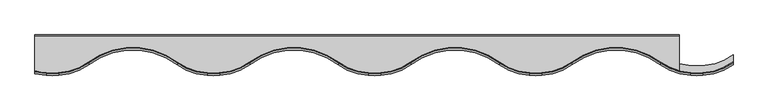
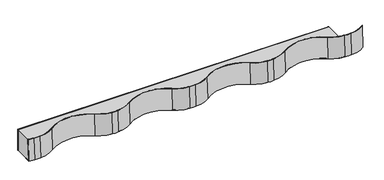
"""IFC4 building model written with IfcOpenShell, lengths in millimetres: plate geometry."""

from ifc_helpers import new_model, si_unit, point, frame, frame_2d, origin, place, context, project, spatial, polyline, circle_curve, trimmed, segment, composite_curve, outline, extrude, source, transform, mapped, element, save
from ifc_brep_helpers import plane_surface, extruded_surface, advanced_brep


def plate_3d42c95b(model_context):
    return source(origin(), model_context, "Body", "SolidModel", [
        extrude(outline(polyline([(-526.971358, -1.0), (-526.971358, 0.0), (473.0, 0.0), (473.0, -1.0), (-526.971358, -1.0)])), frame((0.0, 0.0, 1680.0), z_axis=(0.0, 0.0, 1.0), x_axis=(1.0, 0.0, 0.0)), (0.0, 0.0, 1.0), 70.0),
        extrude(outline(composite_curve([segment(trimmed(circle_curve(frame_2d((500.0, 106.6761798)), 168.25), [point((512.9231905, -61.0767744))], [point((500.0, -61.5738202))], False, "CARTESIAN"), True, "CONTINUOUS"), segment(trimmed(circle_curve(frame_2d((500.0, 106.6761798)), 168.25), [point((500.0, -61.5738202))], [point((487.0768095, -61.0767744))], False, "CARTESIAN"), True, "CONTINUOUS"), segment(trimmed(circle_curve(frame_2d((493.4528729, 21.689434)), 83.0114416), [point((487.0768095, -61.0767744))], [point((473.0, -58.7629086))], False, "CARTESIAN"), True, "CONTINUOUS"), segment(polyline([(473.0, -58.7629086), (473.0, -44.7942288)]), True, "CONTINUOUS"), segment(trimmed(circle_curve(frame_2d((493.4528729, 35.6581138)), 83.0114416), [point((473.0, -44.7942288))], [point((487.0768095, -47.1080946))], True, "CARTESIAN"), True, "CONTINUOUS"), segment(trimmed(circle_curve(frame_2d((500.0, 120.6448596)), 168.25), [point((487.0768095, -47.1080946))], [point((500.0, -47.6051404))], True, "CARTESIAN"), True, "CONTINUOUS"), segment(trimmed(circle_curve(frame_2d((500.0, 120.6448596)), 168.25), [point((500.0, -47.6051404))], [point((512.9231905, -47.1080946))], True, "CARTESIAN"), True, "CONTINUOUS"), segment(trimmed(circle_curve(frame_2d((506.4784376, 36.549756)), 83.9057258), [point((512.9231905, -47.1080946))], [point((556.4, -30.8891676))], True, "CARTESIAN"), True, "CONTINUOUS"), segment(polyline([(556.4, -30.8891676), (556.4, -44.6851884)]), True, "CONTINUOUS"), segment(trimmed(circle_curve(frame_2d((506.5471271, 21.689434)), 83.0114416), [point((556.4, -44.6851884))], [point((512.9231905, -61.0767744))], False, "CARTESIAN"), True, "CONTINUOUS")], self_intersect=False)), frame((0.0, 0.0, 1679.0), z_axis=(0.0, 0.0, 1.0), x_axis=(1.0, 0.0, 0.0)), (0.0, 0.0, 1.0), 1.0),
        extrude(outline(composite_curve([segment(trimmed(circle_curve(frame_2d((493.4528729, 21.689434)), 83.0114416), [point((473.0, -58.7629086))], [point((444.1934058, -45.1267642))], False, "CARTESIAN"), True, "CONTINUOUS"), segment(trimmed(circle_curve(frame_2d((375.0, -138.9816225)), 116.6038671), [point((444.1934058, -45.1267642))], [point((305.8065942, -45.1267642))], True, "CARTESIAN"), True, "CONTINUOUS"), segment(trimmed(circle_curve(frame_2d((256.5471271, 21.689434)), 83.0114416), [point((305.8065942, -45.1267642))], [point((262.9231905, -61.0767744))], False, "CARTESIAN"), True, "CONTINUOUS"), segment(trimmed(circle_curve(frame_2d((250.0, 106.6761798)), 168.25), [point((262.9231905, -61.0767744))], [point((237.0768095, -61.0767744))], False, "CARTESIAN"), True, "CONTINUOUS"), segment(trimmed(circle_curve(frame_2d((243.4528729, 21.689434)), 83.0114416), [point((237.0768095, -61.0767744))], [point((194.1934058, -45.1267642))], False, "CARTESIAN"), True, "CONTINUOUS"), segment(trimmed(circle_curve(frame_2d((125.0, -138.9816225)), 116.6038671), [point((194.1934058, -45.1267642))], [point((55.8065942, -45.1267642))], True, "CARTESIAN"), True, "CONTINUOUS"), segment(trimmed(circle_curve(frame_2d((6.5471271, 21.689434)), 83.0114416), [point((55.8065942, -45.1267642))], [point((12.9231905, -61.0767744))], False, "CARTESIAN"), True, "CONTINUOUS"), segment(trimmed(circle_curve(frame_2d((0.0, 106.6761798)), 168.25), [point((12.9231905, -61.0767744))], [point((-12.9231905, -61.0767744))], False, "CARTESIAN"), True, "CONTINUOUS"), segment(trimmed(circle_curve(frame_2d((-6.5471271, 21.689434)), 83.0114416), [point((-12.9231905, -61.0767744))], [point((-55.8065942, -45.1267642))], False, "CARTESIAN"), True, "CONTINUOUS"), segment(trimmed(circle_curve(frame_2d((-125.0, -138.9816225)), 116.6038671), [point((-55.8065942, -45.1267642))], [point((-194.1934058, -45.1267642))], True, "CARTESIAN"), True, "CONTINUOUS"), segment(trimmed(circle_curve(frame_2d((-243.4528729, 21.689434)), 83.0114416), [point((-194.1934058, -45.1267642))], [point((-237.0768095, -61.0767744))], False, "CARTESIAN"), True, "CONTINUOUS"), segment(trimmed(circle_curve(frame_2d((-250.0, 106.6761798)), 168.25), [point((-237.0768095, -61.0767744))], [point((-262.9231905, -61.0767744))], False, "CARTESIAN"), True, "CONTINUOUS"), segment(trimmed(circle_curve(frame_2d((-256.5471271, 21.689434)), 83.0114416), [point((-262.9231905, -61.0767744))], [point((-305.8065942, -45.1267642))], False, "CARTESIAN"), True, "CONTINUOUS"), segment(trimmed(circle_curve(frame_2d((-375.0, -138.9816225)), 116.6038671), [point((-305.8065942, -45.1267642))], [point((-444.1934058, -45.1267642))], True, "CARTESIAN"), True, "CONTINUOUS"), segment(trimmed(circle_curve(frame_2d((-493.4528729, 21.689434)), 83.0114416), [point((-444.1934058, -45.1267642))], [point((-487.0768095, -61.0767744))], False, "CARTESIAN"), True, "CONTINUOUS"), segment(trimmed(circle_curve(frame_2d((-500.0, 106.6761798)), 168.25), [point((-487.0768095, -61.0767744))], [point((-512.9231905, -61.0767744))], False, "CARTESIAN"), True, "CONTINUOUS"), segment(trimmed(circle_curve(frame_2d((-506.5471271, 21.689434)), 83.0114416), [point((-512.9231905, -61.0767744))], [point((-526.971358, -58.7701846))], False, "CARTESIAN"), True, "CONTINUOUS"), segment(polyline([(-526.971358, -58.7701846), (-526.971358, -44.8015049)]), True, "CONTINUOUS"), segment(trimmed(circle_curve(frame_2d((-506.5471271, 35.6581138)), 83.0114416), [point((-526.971358, -44.8015049))], [point((-512.9231905, -47.1080946))], True, "CARTESIAN"), True, "CONTINUOUS"), segment(trimmed(circle_curve(frame_2d((-500.0, 120.6448596)), 168.25), [point((-512.9231905, -47.1080946))], [point((-487.0768095, -47.1080946))], True, "CARTESIAN"), True, "CONTINUOUS"), segment(trimmed(circle_curve(frame_2d((-493.4528729, 35.6581138)), 83.0114416), [point((-487.0768095, -47.1080946))], [point((-444.1934058, -31.1580844))], True, "CARTESIAN"), True, "CONTINUOUS"), segment(trimmed(circle_curve(frame_2d((-375.0, -125.0129427)), 116.6038671), [point((-444.1934058, -31.1580844))], [point((-305.8065942, -31.1580844))], False, "CARTESIAN"), True, "CONTINUOUS"), segment(trimmed(circle_curve(frame_2d((-256.5471271, 35.6581138)), 83.0114416), [point((-305.8065942, -31.1580844))], [point((-262.9231905, -47.1080946))], True, "CARTESIAN"), True, "CONTINUOUS"), segment(trimmed(circle_curve(frame_2d((-250.0, 120.6448596)), 168.25), [point((-262.9231905, -47.1080946))], [point((-237.0768095, -47.1080946))], True, "CARTESIAN"), True, "CONTINUOUS"), segment(trimmed(circle_curve(frame_2d((-243.4528729, 35.6581138)), 83.0114416), [point((-237.0768095, -47.1080946))], [point((-194.1934058, -31.1580844))], True, "CARTESIAN"), True, "CONTINUOUS"), segment(trimmed(circle_curve(frame_2d((-125.0, -125.0129427)), 116.6038671), [point((-194.1934058, -31.1580844))], [point((-55.8065942, -31.1580844))], False, "CARTESIAN"), True, "CONTINUOUS"), segment(trimmed(circle_curve(frame_2d((-6.5471271, 35.6581138)), 83.0114416), [point((-55.8065942, -31.1580844))], [point((-12.9231905, -47.1080946))], True, "CARTESIAN"), True, "CONTINUOUS"), segment(trimmed(circle_curve(frame_2d((0.0, 120.6448596)), 168.25), [point((-12.9231905, -47.1080946))], [point((12.9231905, -47.1080946))], True, "CARTESIAN"), True, "CONTINUOUS"), segment(trimmed(circle_curve(frame_2d((6.5471271, 35.6581138)), 83.0114416), [point((12.9231905, -47.1080946))], [point((55.8065942, -31.1580844))], True, "CARTESIAN"), True, "CONTINUOUS"), segment(trimmed(circle_curve(frame_2d((125.0, -125.0129427)), 116.6038671), [point((55.8065942, -31.1580844))], [point((194.1934058, -31.1580844))], False, "CARTESIAN"), True, "CONTINUOUS"), segment(trimmed(circle_curve(frame_2d((243.4528729, 35.6581138)), 83.0114416), [point((194.1934058, -31.1580844))], [point((237.0768095, -47.1080946))], True, "CARTESIAN"), True, "CONTINUOUS"), segment(trimmed(circle_curve(frame_2d((250.0, 120.6448596)), 168.25), [point((237.0768095, -47.1080946))], [point((262.9231905, -47.1080946))], True, "CARTESIAN"), True, "CONTINUOUS"), segment(trimmed(circle_curve(frame_2d((256.5471271, 35.6581138)), 83.0114416), [point((262.9231905, -47.1080946))], [point((305.8065942, -31.1580844))], True, "CARTESIAN"), True, "CONTINUOUS"), segment(trimmed(circle_curve(frame_2d((375.0, -125.0129427)), 116.6038671), [point((305.8065942, -31.1580844))], [point((444.1934058, -31.1580844))], False, "CARTESIAN"), True, "CONTINUOUS"), segment(trimmed(circle_curve(frame_2d((493.4528729, 35.6581138)), 83.0114416), [point((444.1934058, -31.1580844))], [point((473.0, -44.7942288))], True, "CARTESIAN"), True, "CONTINUOUS"), segment(polyline([(473.0, -44.7942288), (473.0, -58.7629086)]), True, "CONTINUOUS")], self_intersect=False)), frame((0.0, 0.0, 1679.0), z_axis=(0.0, 0.0, 1.0), x_axis=(1.0, 0.0, 0.0)), (0.0, 0.0, 1.0), 1.0),
        advanced_brep(
        [(490.3375833, -59.4404074, 1750.0), (509.6624167, -59.4404074, 1750.0), (556.4, -43.1078474, 1750.0), (556.4, -41.8613682, 1750.0), (509.4450714, -58.4475881, 1750.0), (490.5549286, -58.4475881, 1750.0), (444.1934058, -42.302944, 1750.0), (305.8065942, -42.302944, 1750.0), (259.4450714, -58.4475881, 1750.0), (240.5549286, -58.4475881, 1750.0), (194.1934058, -42.302944, 1750.0), (55.8065942, -42.302944, 1750.0), (9.4450714, -58.4475881, 1750.0), (-9.4450714, -58.4475881, 1750.0), (-55.8065942, -42.302944, 1750.0), (-194.1934058, -42.302944, 1750.0), (-240.5549286, -58.4475881, 1750.0), (-259.4450714, -58.4475881, 1750.0), (-305.8065942, -42.302944, 1750.0), (-444.1934058, -42.302944, 1750.0), (-490.5549286, -58.4475881, 1750.0), (-509.4450714, -58.4475881, 1750.0), (-526.971358, -55.9463644, 1750.0), (-526.971358, -56.9776846, 1750.0), (-509.6624167, -59.4404074, 1750.0), (-490.3375833, -59.4404074, 1750.0), (-443.6, -43.1078474, 1750.0), (-306.4, -43.1078474, 1750.0), (-259.6624167, -59.4404074, 1750.0), (-240.3375833, -59.4404074, 1750.0), (-193.6, -43.1078474, 1750.0), (-56.4, -43.1078474, 1750.0), (-9.6624167, -59.4404074, 1750.0), (9.6624167, -59.4404074, 1750.0), (56.4, -43.1078474, 1750.0), (193.6, -43.1078474, 1750.0), (240.3375833, -59.4404074, 1750.0), (259.6624167, -59.4404074, 1750.0), (306.4, -43.1078474, 1750.0), (443.6, -43.1078474, 1750.0), (490.3375833, -62.4979074, 1679.0), (443.6, -46.1653474, 1679.0), (306.4, -46.1653474, 1679.0), (259.6624167, -62.4979074, 1679.0), (240.3375833, -62.4979074, 1679.0), (193.6, -46.1653474, 1679.0), (56.4, -46.1653474, 1679.0), (9.6624167, -62.4979074, 1679.0), (-9.6624167, -62.4979074, 1679.0), (-56.4, -46.1653474, 1679.0), (-193.6, -46.1653474, 1679.0), (-240.3375833, -62.4979074, 1679.0), (-259.6624167, -62.4979074, 1679.0), (-306.4, -46.1653474, 1679.0), (-443.6, -46.1653474, 1679.0), (-490.3375833, -62.4979074, 1679.0), (-509.6624167, -62.4979074, 1679.0), (-526.971358, -60.0351846, 1679.0), (-526.971358, -59.0038644, 1679.0), (-509.4450714, -61.5050881, 1679.0), (-490.5549286, -61.5050881, 1679.0), (-444.1934058, -45.360444, 1679.0), (-305.8065942, -45.360444, 1679.0), (-259.4450714, -61.5050881, 1679.0), (-240.5549286, -61.5050881, 1679.0), (-194.1934058, -45.360444, 1679.0), (-55.8065942, -45.360444, 1679.0), (-9.4450714, -61.5050881, 1679.0), (9.4450714, -61.5050881, 1679.0), (55.8065942, -45.360444, 1679.0), (194.1934058, -45.360444, 1679.0), (240.5549286, -61.5050881, 1679.0), (259.4450714, -61.5050881, 1679.0), (305.8065942, -45.360444, 1679.0), (444.1934058, -45.360444, 1679.0), (490.5549286, -61.5050881, 1679.0), (509.4450714, -61.5050881, 1679.0), (556.4, -44.9188682, 1679.0), (556.4, -46.1653474, 1679.0), (509.6624167, -62.4979074, 1679.0)],
        [
            (0, 1, circle_curve(frame((500.0, -13.8, 1750.0), z_axis=(0.0, 0.0, 1.0), x_axis=(0.0, -1.0, 0.0)), 46.6519998)),
            (1, 2, circle_curve(frame((506.5471271, 24.5132542, 1750.0), z_axis=(0.0, 0.0, 1.0), x_axis=(0.0, -1.0, 0.0)), 84.0114416)),
            (2, 3),
            (3, 4, circle_curve(frame((506.5471271, 24.5132542, 1750.0), z_axis=(0.0, 0.0, -1.0), x_axis=(0.0, -1.0, 0.0)), 83.0114416)),
            (4, 5, circle_curve(frame((500.0, -13.8, 1750.0), z_axis=(0.0, 0.0, -1.0), x_axis=(0.0, -1.0, 0.0)), 45.6356932)),
            (5, 6, circle_curve(frame((493.4528729, 24.5132542, 1750.0), z_axis=(0.0, 0.0, -1.0), x_axis=(0.0, -1.0, 0.0)), 83.0114416)),
            (6, 7, circle_curve(frame((375.0, -136.1578023, 1750.0), z_axis=(0.0, 0.0, 1.0), x_axis=(0.0, -1.0, 0.0)), 116.6038671)),
            (7, 8, circle_curve(frame((256.5471271, 24.5132542, 1750.0), z_axis=(0.0, 0.0, -1.0), x_axis=(0.0, -1.0, 0.0)), 83.0114416)),
            (8, 9, circle_curve(frame((250.0, -13.8, 1750.0), z_axis=(0.0, 0.0, -1.0), x_axis=(0.0, -1.0, 0.0)), 45.6356932)),
            (9, 10, circle_curve(frame((243.4528729, 24.5132542, 1750.0), z_axis=(0.0, 0.0, -1.0), x_axis=(0.0, -1.0, 0.0)), 83.0114416)),
            (10, 11, circle_curve(frame((125.0, -136.1578023, 1750.0), z_axis=(0.0, 0.0, 1.0), x_axis=(0.0, -1.0, 0.0)), 116.6038671)),
            (11, 12, circle_curve(frame((6.5471271, 24.5132542, 1750.0), z_axis=(0.0, 0.0, -1.0), x_axis=(0.0, -1.0, 0.0)), 83.0114416)),
            (12, 13, circle_curve(frame((0.0, -13.8, 1750.0), z_axis=(0.0, 0.0, -1.0), x_axis=(0.0, -1.0, 0.0)), 45.6356932)),
            (13, 14, circle_curve(frame((-6.5471271, 24.5132542, 1750.0), z_axis=(0.0, 0.0, -1.0), x_axis=(0.0, -1.0, 0.0)), 83.0114416)),
            (14, 15, circle_curve(frame((-125.0, -136.1578023, 1750.0), z_axis=(0.0, 0.0, 1.0), x_axis=(0.0, -1.0, 0.0)), 116.6038671)),
            (15, 16, circle_curve(frame((-243.4528729, 24.5132542, 1750.0), z_axis=(0.0, 0.0, -1.0), x_axis=(0.0, -1.0, 0.0)), 83.0114416)),
            (16, 17, circle_curve(frame((-250.0, -13.8, 1750.0), z_axis=(0.0, 0.0, -1.0), x_axis=(0.0, -1.0, 0.0)), 45.6356932)),
            (17, 18, circle_curve(frame((-256.5471271, 24.5132542, 1750.0), z_axis=(0.0, 0.0, -1.0), x_axis=(0.0, -1.0, 0.0)), 83.0114416)),
            (18, 19, circle_curve(frame((-375.0, -136.1578023, 1750.0), z_axis=(0.0, 0.0, 1.0), x_axis=(0.0, -1.0, 0.0)), 116.6038671)),
            (19, 20, circle_curve(frame((-493.4528729, 24.5132542, 1750.0), z_axis=(0.0, 0.0, -1.0), x_axis=(0.0, -1.0, 0.0)), 83.0114416)),
            (20, 21, circle_curve(frame((-500.0, -13.8, 1750.0), z_axis=(0.0, 0.0, -1.0), x_axis=(0.0, -1.0, 0.0)), 45.6356932)),
            (21, 22, circle_curve(frame((-506.5471271, 24.5132542, 1750.0), z_axis=(0.0, 0.0, -1.0), x_axis=(0.0, -1.0, 0.0)), 83.0114416)),
            (22, 23),
            (23, 24, circle_curve(frame((-506.5471271, 24.5132542, 1750.0), z_axis=(0.0, 0.0, 1.0), x_axis=(0.0, -1.0, 0.0)), 84.0114416)),
            (24, 25, circle_curve(frame((-500.0, -13.8, 1750.0), z_axis=(0.0, 0.0, 1.0), x_axis=(0.0, -1.0, 0.0)), 46.6519998)),
            (25, 26, circle_curve(frame((-493.4528729, 24.5132542, 1750.0), z_axis=(0.0, 0.0, 1.0), x_axis=(0.0, -1.0, 0.0)), 84.0114416)),
            (26, 27, circle_curve(frame((-375.0, -136.1578023, 1750.0), z_axis=(0.0, 0.0, -1.0), x_axis=(0.0, -1.0, 0.0)), 115.6038671)),
            (27, 28, circle_curve(frame((-256.5471271, 24.5132542, 1750.0), z_axis=(0.0, 0.0, 1.0), x_axis=(0.0, -1.0, 0.0)), 84.0114416)),
            (28, 29, circle_curve(frame((-250.0, -13.8, 1750.0), z_axis=(0.0, 0.0, 1.0), x_axis=(0.0, -1.0, 0.0)), 46.6519998)),
            (29, 30, circle_curve(frame((-243.4528729, 24.5132542, 1750.0), z_axis=(0.0, 0.0, 1.0), x_axis=(0.0, -1.0, 0.0)), 84.0114416)),
            (30, 31, circle_curve(frame((-125.0, -136.1578023, 1750.0), z_axis=(0.0, 0.0, -1.0), x_axis=(0.0, -1.0, 0.0)), 115.6038671)),
            (31, 32, circle_curve(frame((-6.5471271, 24.5132542, 1750.0), z_axis=(0.0, 0.0, 1.0), x_axis=(0.0, -1.0, 0.0)), 84.0114416)),
            (32, 33, circle_curve(frame((0.0, -13.8, 1750.0), z_axis=(0.0, 0.0, 1.0), x_axis=(0.0, -1.0, 0.0)), 46.6519998)),
            (33, 34, circle_curve(frame((6.5471271, 24.5132542, 1750.0), z_axis=(0.0, 0.0, 1.0), x_axis=(0.0, -1.0, 0.0)), 84.0114416)),
            (34, 35, circle_curve(frame((125.0, -136.1578023, 1750.0), z_axis=(0.0, 0.0, -1.0), x_axis=(0.0, -1.0, 0.0)), 115.6038671)),
            (35, 36, circle_curve(frame((243.4528729, 24.5132542, 1750.0), z_axis=(0.0, 0.0, 1.0), x_axis=(0.0, -1.0, 0.0)), 84.0114416)),
            (36, 37, circle_curve(frame((250.0, -13.8, 1750.0), z_axis=(0.0, 0.0, 1.0), x_axis=(0.0, -1.0, 0.0)), 46.6519998)),
            (37, 38, circle_curve(frame((256.5471271, 24.5132542, 1750.0), z_axis=(0.0, 0.0, 1.0), x_axis=(0.0, -1.0, 0.0)), 84.0114416)),
            (38, 39, circle_curve(frame((375.0, -136.1578023, 1750.0), z_axis=(0.0, 0.0, -1.0), x_axis=(0.0, -1.0, 0.0)), 115.6038671)),
            (39, 0, circle_curve(frame((493.4528729, 24.5132542, 1750.0), z_axis=(0.0, 0.0, 1.0), x_axis=(0.0, -1.0, 0.0)), 84.0114416)),
            (40, 41, circle_curve(frame((493.4528729, 21.4557542, 1679.0), z_axis=(0.0, 0.0, -1.0), x_axis=(0.0, -1.0, 0.0)), 84.0114416)),
            (41, 42, circle_curve(frame((375.0, -139.2153023, 1679.0), z_axis=(0.0, 0.0, 1.0), x_axis=(0.0, -1.0, 0.0)), 115.6038671)),
            (42, 43, circle_curve(frame((256.5471271, 21.4557542, 1679.0), z_axis=(0.0, 0.0, -1.0), x_axis=(0.0, -1.0, 0.0)), 84.0114416)),
            (43, 44, circle_curve(frame((250.0, -16.8575, 1679.0), z_axis=(0.0, 0.0, -1.0), x_axis=(0.0, -1.0, 0.0)), 46.6519998)),
            (44, 45, circle_curve(frame((243.4528729, 21.4557542, 1679.0), z_axis=(0.0, 0.0, -1.0), x_axis=(0.0, -1.0, 0.0)), 84.0114416)),
            (45, 46, circle_curve(frame((125.0, -139.2153023, 1679.0), z_axis=(0.0, 0.0, 1.0), x_axis=(0.0, -1.0, 0.0)), 115.6038671)),
            (46, 47, circle_curve(frame((6.5471271, 21.4557542, 1679.0), z_axis=(0.0, 0.0, -1.0), x_axis=(0.0, -1.0, 0.0)), 84.0114416)),
            (47, 48, circle_curve(frame((0.0, -16.8575, 1679.0), z_axis=(0.0, 0.0, -1.0), x_axis=(0.0, -1.0, 0.0)), 46.6519998)),
            (48, 49, circle_curve(frame((-6.5471271, 21.4557542, 1679.0), z_axis=(0.0, 0.0, -1.0), x_axis=(0.0, -1.0, 0.0)), 84.0114416)),
            (49, 50, circle_curve(frame((-125.0, -139.2153023, 1679.0), z_axis=(0.0, 0.0, 1.0), x_axis=(0.0, -1.0, 0.0)), 115.6038671)),
            (50, 51, circle_curve(frame((-243.4528729, 21.4557542, 1679.0), z_axis=(0.0, 0.0, -1.0), x_axis=(0.0, -1.0, 0.0)), 84.0114416)),
            (51, 52, circle_curve(frame((-250.0, -16.8575, 1679.0), z_axis=(0.0, 0.0, -1.0), x_axis=(0.0, -1.0, 0.0)), 46.6519998)),
            (52, 53, circle_curve(frame((-256.5471271, 21.4557542, 1679.0), z_axis=(0.0, 0.0, -1.0), x_axis=(0.0, -1.0, 0.0)), 84.0114416)),
            (53, 54, circle_curve(frame((-375.0, -139.2153023, 1679.0), z_axis=(0.0, 0.0, 1.0), x_axis=(0.0, -1.0, 0.0)), 115.6038671)),
            (54, 55, circle_curve(frame((-493.4528729, 21.4557542, 1679.0), z_axis=(0.0, 0.0, -1.0), x_axis=(0.0, -1.0, 0.0)), 84.0114416)),
            (55, 56, circle_curve(frame((-500.0, -16.8575, 1679.0), z_axis=(0.0, 0.0, -1.0), x_axis=(0.0, -1.0, 0.0)), 46.6519998)),
            (56, 57, circle_curve(frame((-506.5471271, 21.4557542, 1679.0), z_axis=(0.0, 0.0, -1.0), x_axis=(0.0, -1.0, 0.0)), 84.0114416)),
            (57, 58),
            (58, 59, circle_curve(frame((-506.5471271, 21.4557542, 1679.0), z_axis=(0.0, 0.0, 1.0), x_axis=(0.0, -1.0, 0.0)), 83.0114416)),
            (59, 60, circle_curve(frame((-500.0, -16.8575, 1679.0), z_axis=(0.0, 0.0, 1.0), x_axis=(0.0, -1.0, 0.0)), 45.6356932)),
            (60, 61, circle_curve(frame((-493.4528729, 21.4557542, 1679.0), z_axis=(0.0, 0.0, 1.0), x_axis=(0.0, -1.0, 0.0)), 83.0114416)),
            (61, 62, circle_curve(frame((-375.0, -139.2153023, 1679.0), z_axis=(0.0, 0.0, -1.0), x_axis=(0.0, -1.0, 0.0)), 116.6038671)),
            (62, 63, circle_curve(frame((-256.5471271, 21.4557542, 1679.0), z_axis=(0.0, 0.0, 1.0), x_axis=(0.0, -1.0, 0.0)), 83.0114416)),
            (63, 64, circle_curve(frame((-250.0, -16.8575, 1679.0), z_axis=(0.0, 0.0, 1.0), x_axis=(0.0, -1.0, 0.0)), 45.6356932)),
            (64, 65, circle_curve(frame((-243.4528729, 21.4557542, 1679.0), z_axis=(0.0, 0.0, 1.0), x_axis=(0.0, -1.0, 0.0)), 83.0114416)),
            (65, 66, circle_curve(frame((-125.0, -139.2153023, 1679.0), z_axis=(0.0, 0.0, -1.0), x_axis=(0.0, -1.0, 0.0)), 116.6038671)),
            (66, 67, circle_curve(frame((-6.5471271, 21.4557542, 1679.0), z_axis=(0.0, 0.0, 1.0), x_axis=(0.0, -1.0, 0.0)), 83.0114416)),
            (67, 68, circle_curve(frame((0.0, -16.8575, 1679.0), z_axis=(0.0, 0.0, 1.0), x_axis=(0.0, -1.0, 0.0)), 45.6356932)),
            (68, 69, circle_curve(frame((6.5471271, 21.4557542, 1679.0), z_axis=(0.0, 0.0, 1.0), x_axis=(0.0, -1.0, 0.0)), 83.0114416)),
            (69, 70, circle_curve(frame((125.0, -139.2153023, 1679.0), z_axis=(0.0, 0.0, -1.0), x_axis=(0.0, -1.0, 0.0)), 116.6038671)),
            (70, 71, circle_curve(frame((243.4528729, 21.4557542, 1679.0), z_axis=(0.0, 0.0, 1.0), x_axis=(0.0, -1.0, 0.0)), 83.0114416)),
            (71, 72, circle_curve(frame((250.0, -16.8575, 1679.0), z_axis=(0.0, 0.0, 1.0), x_axis=(0.0, -1.0, 0.0)), 45.6356932)),
            (72, 73, circle_curve(frame((256.5471271, 21.4557542, 1679.0), z_axis=(0.0, 0.0, 1.0), x_axis=(0.0, -1.0, 0.0)), 83.0114416)),
            (73, 74, circle_curve(frame((375.0, -139.2153023, 1679.0), z_axis=(0.0, 0.0, -1.0), x_axis=(0.0, -1.0, 0.0)), 116.6038671)),
            (74, 75, circle_curve(frame((493.4528729, 21.4557542, 1679.0), z_axis=(0.0, 0.0, 1.0), x_axis=(0.0, -1.0, 0.0)), 83.0114416)),
            (75, 76, circle_curve(frame((500.0, -16.8575, 1679.0), z_axis=(0.0, 0.0, 1.0), x_axis=(0.0, -1.0, 0.0)), 45.6356932)),
            (76, 77, circle_curve(frame((506.5471271, 21.4557542, 1679.0), z_axis=(0.0, 0.0, 1.0), x_axis=(0.0, -1.0, 0.0)), 83.0114416)),
            (77, 78),
            (78, 79, circle_curve(frame((506.5471271, 21.4557542, 1679.0), z_axis=(0.0, 0.0, -1.0), x_axis=(0.0, -1.0, 0.0)), 84.0114416)),
            (79, 40, circle_curve(frame((500.0, -16.8575, 1679.0), z_axis=(0.0, 0.0, -1.0), x_axis=(0.0, -1.0, 0.0)), 46.6519998)),
            (0, 40),
            (79, 1),
            (78, 2),
            (77, 3),
            (76, 4),
            (75, 5),
            (74, 6),
            (73, 7),
            (72, 8),
            (71, 9),
            (70, 10),
            (69, 11),
            (68, 12),
            (67, 13),
            (66, 14),
            (65, 15),
            (64, 16),
            (63, 17),
            (62, 18),
            (61, 19),
            (60, 20),
            (59, 21),
            (58, 22),
            (57, 23),
            (56, 24),
            (55, 25),
            (54, 26),
            (53, 27),
            (52, 28),
            (51, 29),
            (50, 30),
            (49, 31),
            (48, 32),
            (47, 33),
            (46, 34),
            (45, 35),
            (44, 36),
            (43, 37),
            (42, 38),
            (41, 39),
        ],
        [
            plane_surface(frame((1.4714321, -51.5014888, 1750.0), z_axis=(0.0, 0.0, 1.0), x_axis=(0.9783162053901675, -0.20711688070020648, 0.0))),
            plane_surface(frame((1.4714321, -54.5589888, 1679.0), z_axis=(0.0, 0.0, -1.0), x_axis=(0.9783162053901675, -0.20711688070020648, 0.0))),
            extruded_surface(trimmed(circle_curve(frame((500.0, -16.8575, 1679.0), z_axis=(0.0, 0.0, 1.0), x_axis=(0.0, -1.0, 0.0)), 46.6519998), [point((490.3375833, -62.4979074, 1679.0))], [point((509.6624167, -62.4979074, 1679.0))], True, "CARTESIAN"), (0.0, 3.057500000000001, 71.0), 71.06580264972739),
            extruded_surface(trimmed(circle_curve(frame((506.5471271, 21.4557542, 1679.0), z_axis=(0.0, 0.0, 1.0), x_axis=(0.0, -1.0, 0.0)), 84.0114416), [point((509.6624167, -62.4979074, 1679.0))], [point((556.4, -46.1653474, 1679.0))], True, "CARTESIAN"), (0.0, 3.0574999999999974, 71.0), 71.06580264972739),
            plane_surface(frame((556.4, -45.5421078, 1679.0), z_axis=(1.0, 0.0, 0.0), x_axis=(0.0, 1.0, 0.0))),
            extruded_surface(trimmed(circle_curve(frame((506.5471271, 21.4557542, 1679.0), z_axis=(0.0, 0.0, -1.0), x_axis=(0.0, -1.0, 0.0)), 83.0114416), [point((556.4, -44.9188682, 1679.0))], [point((509.4450714, -61.5050881, 1679.0))], True, "CARTESIAN"), (0.0, 3.0574999999999974, 71.0), 71.06580264972739),
            extruded_surface(trimmed(circle_curve(frame((500.0, -16.8575, 1679.0), z_axis=(0.0, 0.0, -1.0), x_axis=(0.0, -1.0, 0.0)), 45.6356932), [point((509.4450714, -61.5050881, 1679.0))], [point((490.5549286, -61.5050881, 1679.0))], True, "CARTESIAN"), (0.0, 3.057500000000001, 71.0), 71.06580264972739),
            extruded_surface(trimmed(circle_curve(frame((493.4528729, 21.4557542, 1679.0), z_axis=(0.0, 0.0, -1.0), x_axis=(0.0, -1.0, 0.0)), 83.0114416), [point((490.5549286, -61.5050881, 1679.0))], [point((444.1934058, -45.360444, 1679.0))], True, "CARTESIAN"), (0.0, 3.0574999999999974, 71.0), 71.06580264972739),
            extruded_surface(trimmed(circle_curve(frame((375.0, -139.2153023, 1679.0), z_axis=(0.0, 0.0, 1.0), x_axis=(0.0, -1.0, 0.0)), 116.6038671), [point((444.1934058, -45.360444, 1679.0))], [point((305.8065942, -45.360444, 1679.0))], True, "CARTESIAN"), (0.0, 3.0575000000000045, 71.0), 71.06580264972739),
            extruded_surface(trimmed(circle_curve(frame((256.5471271, 21.4557542, 1679.0), z_axis=(0.0, 0.0, -1.0), x_axis=(0.0, -1.0, 0.0)), 83.0114416), [point((305.8065942, -45.360444, 1679.0))], [point((259.4450714, -61.5050881, 1679.0))], True, "CARTESIAN"), (0.0, 3.0574999999999974, 71.0), 71.06580264972739),
            extruded_surface(trimmed(circle_curve(frame((250.0, -16.8575, 1679.0), z_axis=(0.0, 0.0, -1.0), x_axis=(0.0, -1.0, 0.0)), 45.6356932), [point((259.4450714, -61.5050881, 1679.0))], [point((240.5549286, -61.5050881, 1679.0))], True, "CARTESIAN"), (0.0, 3.057500000000001, 71.0), 71.06580264972739),
            extruded_surface(trimmed(circle_curve(frame((243.4528729, 21.4557542, 1679.0), z_axis=(0.0, 0.0, -1.0), x_axis=(0.0, -1.0, 0.0)), 83.0114416), [point((240.5549286, -61.5050881, 1679.0))], [point((194.1934058, -45.360444, 1679.0))], True, "CARTESIAN"), (0.0, 3.0574999999999974, 71.0), 71.06580264972739),
            extruded_surface(trimmed(circle_curve(frame((125.0, -139.2153023, 1679.0), z_axis=(0.0, 0.0, 1.0), x_axis=(0.0, -1.0, 0.0)), 116.6038671), [point((194.1934058, -45.360444, 1679.0))], [point((55.8065942, -45.360444, 1679.0))], True, "CARTESIAN"), (0.0, 3.0575000000000045, 71.0), 71.06580264972739),
            extruded_surface(trimmed(circle_curve(frame((6.5471271, 21.4557542, 1679.0), z_axis=(0.0, 0.0, -1.0), x_axis=(0.0, -1.0, 0.0)), 83.0114416), [point((55.8065942, -45.360444, 1679.0))], [point((9.4450714, -61.5050881, 1679.0))], True, "CARTESIAN"), (0.0, 3.0574999999999974, 71.0), 71.06580264972739),
            extruded_surface(trimmed(circle_curve(frame((0.0, -16.8575, 1679.0), z_axis=(0.0, 0.0, -1.0), x_axis=(0.0, -1.0, 0.0)), 45.6356932), [point((9.4450714, -61.5050881, 1679.0))], [point((-9.4450714, -61.5050881, 1679.0))], True, "CARTESIAN"), (0.0, 3.057500000000001, 71.0), 71.06580264972739),
            extruded_surface(trimmed(circle_curve(frame((-6.5471271, 21.4557542, 1679.0), z_axis=(0.0, 0.0, -1.0), x_axis=(0.0, -1.0, 0.0)), 83.0114416), [point((-9.4450714, -61.5050881, 1679.0))], [point((-55.8065942, -45.360444, 1679.0))], True, "CARTESIAN"), (0.0, 3.0574999999999974, 71.0), 71.06580264972739),
            extruded_surface(trimmed(circle_curve(frame((-125.0, -139.2153023, 1679.0), z_axis=(0.0, 0.0, 1.0), x_axis=(0.0, -1.0, 0.0)), 116.6038671), [point((-55.8065942, -45.360444, 1679.0))], [point((-194.1934058, -45.360444, 1679.0))], True, "CARTESIAN"), (0.0, 3.0575000000000045, 71.0), 71.06580264972739),
            extruded_surface(trimmed(circle_curve(frame((-243.4528729, 21.4557542, 1679.0), z_axis=(0.0, 0.0, -1.0), x_axis=(0.0, -1.0, 0.0)), 83.0114416), [point((-194.1934058, -45.360444, 1679.0))], [point((-240.5549286, -61.5050881, 1679.0))], True, "CARTESIAN"), (0.0, 3.0574999999999974, 71.0), 71.06580264972739),
            extruded_surface(trimmed(circle_curve(frame((-250.0, -16.8575, 1679.0), z_axis=(0.0, 0.0, -1.0), x_axis=(0.0, -1.0, 0.0)), 45.6356932), [point((-240.5549286, -61.5050881, 1679.0))], [point((-259.4450714, -61.5050881, 1679.0))], True, "CARTESIAN"), (0.0, 3.057500000000001, 71.0), 71.06580264972739),
            extruded_surface(trimmed(circle_curve(frame((-256.5471271, 21.4557542, 1679.0), z_axis=(0.0, 0.0, -1.0), x_axis=(0.0, -1.0, 0.0)), 83.0114416), [point((-259.4450714, -61.5050881, 1679.0))], [point((-305.8065942, -45.360444, 1679.0))], True, "CARTESIAN"), (0.0, 3.0574999999999974, 71.0), 71.06580264972739),
            extruded_surface(trimmed(circle_curve(frame((-375.0, -139.2153023, 1679.0), z_axis=(0.0, 0.0, 1.0), x_axis=(0.0, -1.0, 0.0)), 116.6038671), [point((-305.8065942, -45.360444, 1679.0))], [point((-444.1934058, -45.360444, 1679.0))], True, "CARTESIAN"), (0.0, 3.0575000000000045, 71.0), 71.06580264972739),
            extruded_surface(trimmed(circle_curve(frame((-493.4528729, 21.4557542, 1679.0), z_axis=(0.0, 0.0, -1.0), x_axis=(0.0, -1.0, 0.0)), 83.0114416), [point((-444.1934058, -45.360444, 1679.0))], [point((-490.5549286, -61.5050881, 1679.0))], True, "CARTESIAN"), (0.0, 3.0574999999999974, 71.0), 71.06580264972739),
            extruded_surface(trimmed(circle_curve(frame((-500.0, -16.8575, 1679.0), z_axis=(0.0, 0.0, -1.0), x_axis=(0.0, -1.0, 0.0)), 45.6356932), [point((-490.5549286, -61.5050881, 1679.0))], [point((-509.4450714, -61.5050881, 1679.0))], True, "CARTESIAN"), (0.0, 3.057500000000001, 71.0), 71.06580264972739),
            extruded_surface(trimmed(circle_curve(frame((-506.5471271, 21.4557542, 1679.0), z_axis=(0.0, 0.0, -1.0), x_axis=(0.0, -1.0, 0.0)), 83.0114416), [point((-509.4450714, -61.5050881, 1679.0))], [point((-526.971358, -59.0038644, 1679.0))], True, "CARTESIAN"), (0.0, 3.0574999999999974, 71.0), 71.06580264972739),
            plane_surface(frame((-526.971358, -59.5195245, 1679.0), z_axis=(-1.0, 0.0, 0.0), x_axis=(0.0, -1.0, 0.0))),
            extruded_surface(trimmed(circle_curve(frame((-506.5471271, 21.4557542, 1679.0), z_axis=(0.0, 0.0, 1.0), x_axis=(0.0, -1.0, 0.0)), 84.0114416), [point((-526.971358, -60.0351846, 1679.0))], [point((-509.6624167, -62.4979074, 1679.0))], True, "CARTESIAN"), (0.0, 3.0574999999999974, 71.0), 71.06580264972739),
            extruded_surface(trimmed(circle_curve(frame((-500.0, -16.8575, 1679.0), z_axis=(0.0, 0.0, 1.0), x_axis=(0.0, -1.0, 0.0)), 46.6519998), [point((-509.6624167, -62.4979074, 1679.0))], [point((-490.3375833, -62.4979074, 1679.0))], True, "CARTESIAN"), (0.0, 3.057500000000001, 71.0), 71.06580264972739),
            extruded_surface(trimmed(circle_curve(frame((-493.4528729, 21.4557542, 1679.0), z_axis=(0.0, 0.0, 1.0), x_axis=(0.0, -1.0, 0.0)), 84.0114416), [point((-490.3375833, -62.4979074, 1679.0))], [point((-443.6, -46.1653474, 1679.0))], True, "CARTESIAN"), (0.0, 3.0574999999999974, 71.0), 71.06580264972739),
            extruded_surface(trimmed(circle_curve(frame((-375.0, -139.2153023, 1679.0), z_axis=(0.0, 0.0, -1.0), x_axis=(0.0, -1.0, 0.0)), 115.6038671), [point((-443.6, -46.1653474, 1679.0))], [point((-306.4, -46.1653474, 1679.0))], True, "CARTESIAN"), (0.0, 3.0575000000000045, 71.0), 71.06580264972739),
            extruded_surface(trimmed(circle_curve(frame((-256.5471271, 21.4557542, 1679.0), z_axis=(0.0, 0.0, 1.0), x_axis=(0.0, -1.0, 0.0)), 84.0114416), [point((-306.4, -46.1653474, 1679.0))], [point((-259.6624167, -62.4979074, 1679.0))], True, "CARTESIAN"), (0.0, 3.0574999999999974, 71.0), 71.06580264972739),
            extruded_surface(trimmed(circle_curve(frame((-250.0, -16.8575, 1679.0), z_axis=(0.0, 0.0, 1.0), x_axis=(0.0, -1.0, 0.0)), 46.6519998), [point((-259.6624167, -62.4979074, 1679.0))], [point((-240.3375833, -62.4979074, 1679.0))], True, "CARTESIAN"), (0.0, 3.057500000000001, 71.0), 71.06580264972739),
            extruded_surface(trimmed(circle_curve(frame((-243.4528729, 21.4557542, 1679.0), z_axis=(0.0, 0.0, 1.0), x_axis=(0.0, -1.0, 0.0)), 84.0114416), [point((-240.3375833, -62.4979074, 1679.0))], [point((-193.6, -46.1653474, 1679.0))], True, "CARTESIAN"), (0.0, 3.0574999999999974, 71.0), 71.06580264972739),
            extruded_surface(trimmed(circle_curve(frame((-125.0, -139.2153023, 1679.0), z_axis=(0.0, 0.0, -1.0), x_axis=(0.0, -1.0, 0.0)), 115.6038671), [point((-193.6, -46.1653474, 1679.0))], [point((-56.4, -46.1653474, 1679.0))], True, "CARTESIAN"), (0.0, 3.0575000000000045, 71.0), 71.06580264972739),
            extruded_surface(trimmed(circle_curve(frame((-6.5471271, 21.4557542, 1679.0), z_axis=(0.0, 0.0, 1.0), x_axis=(0.0, -1.0, 0.0)), 84.0114416), [point((-56.4, -46.1653474, 1679.0))], [point((-9.6624167, -62.4979074, 1679.0))], True, "CARTESIAN"), (0.0, 3.0574999999999974, 71.0), 71.06580264972739),
            extruded_surface(trimmed(circle_curve(frame((0.0, -16.8575, 1679.0), z_axis=(0.0, 0.0, 1.0), x_axis=(0.0, -1.0, 0.0)), 46.6519998), [point((-9.6624167, -62.4979074, 1679.0))], [point((9.6624167, -62.4979074, 1679.0))], True, "CARTESIAN"), (0.0, 3.057500000000001, 71.0), 71.06580264972739),
            extruded_surface(trimmed(circle_curve(frame((6.5471271, 21.4557542, 1679.0), z_axis=(0.0, 0.0, 1.0), x_axis=(0.0, -1.0, 0.0)), 84.0114416), [point((9.6624167, -62.4979074, 1679.0))], [point((56.4, -46.1653474, 1679.0))], True, "CARTESIAN"), (0.0, 3.0574999999999974, 71.0), 71.06580264972739),
            extruded_surface(trimmed(circle_curve(frame((125.0, -139.2153023, 1679.0), z_axis=(0.0, 0.0, -1.0), x_axis=(0.0, -1.0, 0.0)), 115.6038671), [point((56.4, -46.1653474, 1679.0))], [point((193.6, -46.1653474, 1679.0))], True, "CARTESIAN"), (0.0, 3.0575000000000045, 71.0), 71.06580264972739),
            extruded_surface(trimmed(circle_curve(frame((243.4528729, 21.4557542, 1679.0), z_axis=(0.0, 0.0, 1.0), x_axis=(0.0, -1.0, 0.0)), 84.0114416), [point((193.6, -46.1653474, 1679.0))], [point((240.3375833, -62.4979074, 1679.0))], True, "CARTESIAN"), (0.0, 3.0574999999999974, 71.0), 71.06580264972739),
            extruded_surface(trimmed(circle_curve(frame((250.0, -16.8575, 1679.0), z_axis=(0.0, 0.0, 1.0), x_axis=(0.0, -1.0, 0.0)), 46.6519998), [point((240.3375833, -62.4979074, 1679.0))], [point((259.6624167, -62.4979074, 1679.0))], True, "CARTESIAN"), (0.0, 3.057500000000001, 71.0), 71.06580264972739),
            extruded_surface(trimmed(circle_curve(frame((256.5471271, 21.4557542, 1679.0), z_axis=(0.0, 0.0, 1.0), x_axis=(0.0, -1.0, 0.0)), 84.0114416), [point((259.6624167, -62.4979074, 1679.0))], [point((306.4, -46.1653474, 1679.0))], True, "CARTESIAN"), (0.0, 3.0574999999999974, 71.0), 71.06580264972739),
            extruded_surface(trimmed(circle_curve(frame((375.0, -139.2153023, 1679.0), z_axis=(0.0, 0.0, -1.0), x_axis=(0.0, -1.0, 0.0)), 115.6038671), [point((306.4, -46.1653474, 1679.0))], [point((443.6, -46.1653474, 1679.0))], True, "CARTESIAN"), (0.0, 3.0575000000000045, 71.0), 71.06580264972739),
            extruded_surface(trimmed(circle_curve(frame((493.4528729, 21.4557542, 1679.0), z_axis=(0.0, 0.0, 1.0), x_axis=(0.0, -1.0, 0.0)), 84.0114416), [point((443.6, -46.1653474, 1679.0))], [point((490.3375833, -62.4979074, 1679.0))], True, "CARTESIAN"), (0.0, 3.0574999999999974, 71.0), 71.06580264972739),
        ],
        [
            (0, [[1, 2, 3, 4, 5, 6, 7, 8, 9, 10, 11, 12, 13, 14, 15, 16, 17, 18, 19, 20, 21, 22, 23, 24, 25, 26, 27, 28, 29, 30, 31, 32, 33, 34, 35, 36, 37, 38, 39, 40]]),
            (1, [[41, 42, 43, 44, 45, 46, 47, 48, 49, 50, 51, 52, 53, 54, 55, 56, 57, 58, 59, 60, 61, 62, 63, 64, 65, 66, 67, 68, 69, 70, 71, 72, 73, 74, 75, 76, 77, 78, 79, 80]]),
            (2, [[-1, 81, -80, 82]]),
            (3, [[-2, -82, -79, 83]]),
            (4, [[-3, -83, -78, 84]]),
            (5, [[-4, -84, -77, 85]]),
            (6, [[-5, -85, -76, 86]]),
            (7, [[-6, -86, -75, 87]]),
            (8, [[-7, -87, -74, 88]]),
            (9, [[-8, -88, -73, 89]]),
            (10, [[-9, -89, -72, 90]]),
            (11, [[-10, -90, -71, 91]]),
            (12, [[-11, -91, -70, 92]]),
            (13, [[-12, -92, -69, 93]]),
            (14, [[-13, -93, -68, 94]]),
            (15, [[-14, -94, -67, 95]]),
            (16, [[-15, -95, -66, 96]]),
            (17, [[-16, -96, -65, 97]]),
            (18, [[-17, -97, -64, 98]]),
            (19, [[-18, -98, -63, 99]]),
            (20, [[-19, -99, -62, 100]]),
            (21, [[-20, -100, -61, 101]]),
            (22, [[-21, -101, -60, 102]]),
            (23, [[-22, -102, -59, 103]]),
            (24, [[-23, -103, -58, 104]]),
            (25, [[-24, -104, -57, 105]]),
            (26, [[-25, -105, -56, 106]]),
            (27, [[-26, -106, -55, 107]]),
            (28, [[-27, -107, -54, 108]]),
            (29, [[-28, -108, -53, 109]]),
            (30, [[-29, -109, -52, 110]]),
            (31, [[-30, -110, -51, 111]]),
            (32, [[-31, -111, -50, 112]]),
            (33, [[-32, -112, -49, 113]]),
            (34, [[-33, -113, -48, 114]]),
            (35, [[-34, -114, -47, 115]]),
            (36, [[-35, -115, -46, 116]]),
            (37, [[-36, -116, -45, 117]]),
            (38, [[-37, -117, -44, 118]]),
            (39, [[-38, -118, -43, 119]]),
            (40, [[-39, -119, -42, 120]]),
            (41, [[-40, -120, -41, -81]]),
        ],
    ),
        advanced_brep(
        [(-526.971358, -1.0, 1750.0), (-526.971358, -55.9463644, 1750.0), (-509.4450714, -58.4475881, 1750.0), (-490.5549286, -58.4475881, 1750.0), (-444.1934058, -42.302944, 1750.0), (-305.8065942, -42.302944, 1750.0), (-259.4450714, -58.4475881, 1750.0), (-240.5549286, -58.4475881, 1750.0), (-194.1934058, -42.302944, 1750.0), (-55.8065942, -42.302944, 1750.0), (-9.4450714, -58.4475881, 1750.0), (9.4450714, -58.4475881, 1750.0), (55.8065942, -42.302944, 1750.0), (194.1934058, -42.302944, 1750.0), (240.5549286, -58.4475881, 1750.0), (259.4450714, -58.4475881, 1750.0), (305.8065942, -42.302944, 1750.0), (444.1934058, -42.302944, 1750.0), (473.0, -55.9390884, 1750.0), (473.0, -1.0, 1750.0), (-526.971358, -1.0, 1680.0), (473.0, -1.0, 1680.0), (473.0, -58.9965884, 1680.0), (444.1934058, -45.360444, 1680.0), (305.8065942, -45.360444, 1680.0), (259.4450714, -61.5050881, 1680.0), (240.5549286, -61.5050881, 1680.0), (194.1934058, -45.360444, 1680.0), (55.8065942, -45.360444, 1680.0), (9.4450714, -61.5050881, 1680.0), (-9.4450714, -61.5050881, 1680.0), (-55.8065942, -45.360444, 1680.0), (-194.1934058, -45.360444, 1680.0), (-240.5549286, -61.5050881, 1680.0), (-259.4450714, -61.5050881, 1680.0), (-305.8065942, -45.360444, 1680.0), (-444.1934058, -45.360444, 1680.0), (-490.5549286, -61.5050881, 1680.0), (-509.4450714, -61.5050881, 1680.0), (-526.971358, -59.0038644, 1680.0)],
        [
            (0, 1),
            (1, 2, circle_curve(frame((-506.5471271, 24.5132542, 1750.0), z_axis=(0.0, 0.0, 1.0), x_axis=(0.0, -1.0, 0.0)), 83.0114416)),
            (2, 3, circle_curve(frame((-500.0, -13.8, 1750.0), z_axis=(0.0, 0.0, 1.0), x_axis=(0.0, -1.0, 0.0)), 45.6356932)),
            (3, 4, circle_curve(frame((-493.4528729, 24.5132542, 1750.0), z_axis=(0.0, 0.0, 1.0), x_axis=(0.0, -1.0, 0.0)), 83.0114416)),
            (4, 5, circle_curve(frame((-375.0, -136.1578023, 1750.0), z_axis=(0.0, 0.0, -1.0), x_axis=(0.0, -1.0, 0.0)), 116.6038671)),
            (5, 6, circle_curve(frame((-256.5471271, 24.5132542, 1750.0), z_axis=(0.0, 0.0, 1.0), x_axis=(0.0, -1.0, 0.0)), 83.0114416)),
            (6, 7, circle_curve(frame((-250.0, -13.8, 1750.0), z_axis=(0.0, 0.0, 1.0), x_axis=(0.0, -1.0, 0.0)), 45.6356932)),
            (7, 8, circle_curve(frame((-243.4528729, 24.5132542, 1750.0), z_axis=(0.0, 0.0, 1.0), x_axis=(0.0, -1.0, 0.0)), 83.0114416)),
            (8, 9, circle_curve(frame((-125.0, -136.1578023, 1750.0), z_axis=(0.0, 0.0, -1.0), x_axis=(0.0, -1.0, 0.0)), 116.6038671)),
            (9, 10, circle_curve(frame((-6.5471271, 24.5132542, 1750.0), z_axis=(0.0, 0.0, 1.0), x_axis=(0.0, -1.0, 0.0)), 83.0114416)),
            (10, 11, circle_curve(frame((0.0, -13.8, 1750.0), z_axis=(0.0, 0.0, 1.0), x_axis=(0.0, -1.0, 0.0)), 45.6356932)),
            (11, 12, circle_curve(frame((6.5471271, 24.5132542, 1750.0), z_axis=(0.0, 0.0, 1.0), x_axis=(0.0, -1.0, 0.0)), 83.0114416)),
            (12, 13, circle_curve(frame((125.0, -136.1578023, 1750.0), z_axis=(0.0, 0.0, -1.0), x_axis=(0.0, -1.0, 0.0)), 116.6038671)),
            (13, 14, circle_curve(frame((243.4528729, 24.5132542, 1750.0), z_axis=(0.0, 0.0, 1.0), x_axis=(0.0, -1.0, 0.0)), 83.0114416)),
            (14, 15, circle_curve(frame((250.0, -13.8, 1750.0), z_axis=(0.0, 0.0, 1.0), x_axis=(0.0, -1.0, 0.0)), 45.6356932)),
            (15, 16, circle_curve(frame((256.5471271, 24.5132542, 1750.0), z_axis=(0.0, 0.0, 1.0), x_axis=(0.0, -1.0, 0.0)), 83.0114416)),
            (16, 17, circle_curve(frame((375.0, -136.1578023, 1750.0), z_axis=(0.0, 0.0, -1.0), x_axis=(0.0, -1.0, 0.0)), 116.6038671)),
            (17, 18, circle_curve(frame((493.4528729, 24.5132542, 1750.0), z_axis=(0.0, 0.0, 1.0), x_axis=(0.0, -1.0, 0.0)), 83.0114416)),
            (18, 19),
            (19, 0),
            (20, 21),
            (21, 22),
            (22, 23, circle_curve(frame((493.4528729, 21.4557542, 1680.0), z_axis=(0.0, 0.0, -1.0), x_axis=(0.0, -1.0, 0.0)), 83.0114416)),
            (23, 24, circle_curve(frame((375.0, -139.2153023, 1680.0), z_axis=(0.0, 0.0, 1.0), x_axis=(0.0, -1.0, 0.0)), 116.6038671)),
            (24, 25, circle_curve(frame((256.5471271, 21.4557542, 1680.0), z_axis=(0.0, 0.0, -1.0), x_axis=(0.0, -1.0, 0.0)), 83.0114416)),
            (25, 26, circle_curve(frame((250.0, -16.8575, 1680.0), z_axis=(0.0, 0.0, -1.0), x_axis=(0.0, -1.0, 0.0)), 45.6356932)),
            (26, 27, circle_curve(frame((243.4528729, 21.4557542, 1680.0), z_axis=(0.0, 0.0, -1.0), x_axis=(0.0, -1.0, 0.0)), 83.0114416)),
            (27, 28, circle_curve(frame((125.0, -139.2153023, 1680.0), z_axis=(0.0, 0.0, 1.0), x_axis=(0.0, -1.0, 0.0)), 116.6038671)),
            (28, 29, circle_curve(frame((6.5471271, 21.4557542, 1680.0), z_axis=(0.0, 0.0, -1.0), x_axis=(0.0, -1.0, 0.0)), 83.0114416)),
            (29, 30, circle_curve(frame((0.0, -16.8575, 1680.0), z_axis=(0.0, 0.0, -1.0), x_axis=(0.0, -1.0, 0.0)), 45.6356932)),
            (30, 31, circle_curve(frame((-6.5471271, 21.4557542, 1680.0), z_axis=(0.0, 0.0, -1.0), x_axis=(0.0, -1.0, 0.0)), 83.0114416)),
            (31, 32, circle_curve(frame((-125.0, -139.2153023, 1680.0), z_axis=(0.0, 0.0, 1.0), x_axis=(0.0, -1.0, 0.0)), 116.6038671)),
            (32, 33, circle_curve(frame((-243.4528729, 21.4557542, 1680.0), z_axis=(0.0, 0.0, -1.0), x_axis=(0.0, -1.0, 0.0)), 83.0114416)),
            (33, 34, circle_curve(frame((-250.0, -16.8575, 1680.0), z_axis=(0.0, 0.0, -1.0), x_axis=(0.0, -1.0, 0.0)), 45.6356932)),
            (34, 35, circle_curve(frame((-256.5471271, 21.4557542, 1680.0), z_axis=(0.0, 0.0, -1.0), x_axis=(0.0, -1.0, 0.0)), 83.0114416)),
            (35, 36, circle_curve(frame((-375.0, -139.2153023, 1680.0), z_axis=(0.0, 0.0, 1.0), x_axis=(0.0, -1.0, 0.0)), 116.6038671)),
            (36, 37, circle_curve(frame((-493.4528729, 21.4557542, 1680.0), z_axis=(0.0, 0.0, -1.0), x_axis=(0.0, -1.0, 0.0)), 83.0114416)),
            (37, 38, circle_curve(frame((-500.0, -16.8575, 1680.0), z_axis=(0.0, 0.0, -1.0), x_axis=(0.0, -1.0, 0.0)), 45.6356932)),
            (38, 39, circle_curve(frame((-506.5471271, 21.4557542, 1680.0), z_axis=(0.0, 0.0, -1.0), x_axis=(0.0, -1.0, 0.0)), 83.0114416)),
            (39, 20),
            (39, 1),
            (0, 20),
            (19, 21),
            (38, 2),
            (37, 3),
            (36, 4),
            (35, 5),
            (34, 6),
            (33, 7),
            (32, 8),
            (31, 9),
            (30, 10),
            (29, 11),
            (28, 12),
            (27, 13),
            (26, 14),
            (25, 15),
            (24, 16),
            (23, 17),
            (22, 18),
        ],
        [
            plane_surface(frame((-55.3971358, -45.9944855, 1750.0), z_axis=(0.0, 0.0, 1.0), x_axis=(0.0, -1.0, 0.0))),
            plane_surface(frame((-55.3971358, -48.7462355, 1680.0), z_axis=(0.0, 0.0, -1.0), x_axis=(0.0, -1.0, 0.0))),
            plane_surface(frame((-526.971358, -30.0019322, 1680.0), z_axis=(-1.0, 0.0, 0.0), x_axis=(0.0, -1.0, 0.0))),
            plane_surface(frame((-26.985679, -1.0, 1680.0), z_axis=(0.0, 1.0, 0.0), x_axis=(-1.0, 0.0, 0.0))),
            extruded_surface(trimmed(circle_curve(frame((-506.5471271, 21.4557542, 1680.0), z_axis=(0.0, 0.0, 1.0), x_axis=(0.0, -1.0, 0.0)), 83.0114416), [point((-526.971358, -59.0038644, 1680.0))], [point((-509.4450714, -61.5050881, 1680.0))], True, "CARTESIAN"), (0.0, 3.0574999999999974, 70.0), 70.06674179844529),
            extruded_surface(trimmed(circle_curve(frame((-500.0, -16.8575, 1680.0), z_axis=(0.0, 0.0, 1.0), x_axis=(0.0, -1.0, 0.0)), 45.6356932), [point((-509.4450714, -61.5050881, 1680.0))], [point((-490.5549286, -61.5050881, 1680.0))], True, "CARTESIAN"), (0.0, 3.057500000000001, 70.0), 70.06674179844529),
            extruded_surface(trimmed(circle_curve(frame((-493.4528729, 21.4557542, 1680.0), z_axis=(0.0, 0.0, 1.0), x_axis=(0.0, -1.0, 0.0)), 83.0114416), [point((-490.5549286, -61.5050881, 1680.0))], [point((-444.1934058, -45.360444, 1680.0))], True, "CARTESIAN"), (0.0, 3.0574999999999974, 70.0), 70.06674179844529),
            extruded_surface(trimmed(circle_curve(frame((-375.0, -139.2153023, 1680.0), z_axis=(0.0, 0.0, -1.0), x_axis=(0.0, -1.0, 0.0)), 116.6038671), [point((-444.1934058, -45.360444, 1680.0))], [point((-305.8065942, -45.360444, 1680.0))], True, "CARTESIAN"), (0.0, 3.0575000000000045, 70.0), 70.06674179844529),
            extruded_surface(trimmed(circle_curve(frame((-256.5471271, 21.4557542, 1680.0), z_axis=(0.0, 0.0, 1.0), x_axis=(0.0, -1.0, 0.0)), 83.0114416), [point((-305.8065942, -45.360444, 1680.0))], [point((-259.4450714, -61.5050881, 1680.0))], True, "CARTESIAN"), (0.0, 3.0574999999999974, 70.0), 70.06674179844529),
            extruded_surface(trimmed(circle_curve(frame((-250.0, -16.8575, 1680.0), z_axis=(0.0, 0.0, 1.0), x_axis=(0.0, -1.0, 0.0)), 45.6356932), [point((-259.4450714, -61.5050881, 1680.0))], [point((-240.5549286, -61.5050881, 1680.0))], True, "CARTESIAN"), (0.0, 3.057500000000001, 70.0), 70.06674179844529),
            extruded_surface(trimmed(circle_curve(frame((-243.4528729, 21.4557542, 1680.0), z_axis=(0.0, 0.0, 1.0), x_axis=(0.0, -1.0, 0.0)), 83.0114416), [point((-240.5549286, -61.5050881, 1680.0))], [point((-194.1934058, -45.360444, 1680.0))], True, "CARTESIAN"), (0.0, 3.0574999999999974, 70.0), 70.06674179844529),
            extruded_surface(trimmed(circle_curve(frame((-125.0, -139.2153023, 1680.0), z_axis=(0.0, 0.0, -1.0), x_axis=(0.0, -1.0, 0.0)), 116.6038671), [point((-194.1934058, -45.360444, 1680.0))], [point((-55.8065942, -45.360444, 1680.0))], True, "CARTESIAN"), (0.0, 3.0575000000000045, 70.0), 70.06674179844529),
            extruded_surface(trimmed(circle_curve(frame((-6.5471271, 21.4557542, 1680.0), z_axis=(0.0, 0.0, 1.0), x_axis=(0.0, -1.0, 0.0)), 83.0114416), [point((-55.8065942, -45.360444, 1680.0))], [point((-9.4450714, -61.5050881, 1680.0))], True, "CARTESIAN"), (0.0, 3.0574999999999974, 70.0), 70.06674179844529),
            extruded_surface(trimmed(circle_curve(frame((0.0, -16.8575, 1680.0), z_axis=(0.0, 0.0, 1.0), x_axis=(0.0, -1.0, 0.0)), 45.6356932), [point((-9.4450714, -61.5050881, 1680.0))], [point((9.4450714, -61.5050881, 1680.0))], True, "CARTESIAN"), (0.0, 3.057500000000001, 70.0), 70.06674179844529),
            extruded_surface(trimmed(circle_curve(frame((6.5471271, 21.4557542, 1680.0), z_axis=(0.0, 0.0, 1.0), x_axis=(0.0, -1.0, 0.0)), 83.0114416), [point((9.4450714, -61.5050881, 1680.0))], [point((55.8065942, -45.360444, 1680.0))], True, "CARTESIAN"), (0.0, 3.0574999999999974, 70.0), 70.06674179844529),
            extruded_surface(trimmed(circle_curve(frame((125.0, -139.2153023, 1680.0), z_axis=(0.0, 0.0, -1.0), x_axis=(0.0, -1.0, 0.0)), 116.6038671), [point((55.8065942, -45.360444, 1680.0))], [point((194.1934058, -45.360444, 1680.0))], True, "CARTESIAN"), (0.0, 3.0575000000000045, 70.0), 70.06674179844529),
            extruded_surface(trimmed(circle_curve(frame((243.4528729, 21.4557542, 1680.0), z_axis=(0.0, 0.0, 1.0), x_axis=(0.0, -1.0, 0.0)), 83.0114416), [point((194.1934058, -45.360444, 1680.0))], [point((240.5549286, -61.5050881, 1680.0))], True, "CARTESIAN"), (0.0, 3.0574999999999974, 70.0), 70.06674179844529),
            extruded_surface(trimmed(circle_curve(frame((250.0, -16.8575, 1680.0), z_axis=(0.0, 0.0, 1.0), x_axis=(0.0, -1.0, 0.0)), 45.6356932), [point((240.5549286, -61.5050881, 1680.0))], [point((259.4450714, -61.5050881, 1680.0))], True, "CARTESIAN"), (0.0, 3.057500000000001, 70.0), 70.06674179844529),
            extruded_surface(trimmed(circle_curve(frame((256.5471271, 21.4557542, 1680.0), z_axis=(0.0, 0.0, 1.0), x_axis=(0.0, -1.0, 0.0)), 83.0114416), [point((259.4450714, -61.5050881, 1680.0))], [point((305.8065942, -45.360444, 1680.0))], True, "CARTESIAN"), (0.0, 3.0574999999999974, 70.0), 70.06674179844529),
            extruded_surface(trimmed(circle_curve(frame((375.0, -139.2153023, 1680.0), z_axis=(0.0, 0.0, -1.0), x_axis=(0.0, -1.0, 0.0)), 116.6038671), [point((305.8065942, -45.360444, 1680.0))], [point((444.1934058, -45.360444, 1680.0))], True, "CARTESIAN"), (0.0, 3.0575000000000045, 70.0), 70.06674179844529),
            extruded_surface(trimmed(circle_curve(frame((493.4528729, 21.4557542, 1680.0), z_axis=(0.0, 0.0, 1.0), x_axis=(0.0, -1.0, 0.0)), 83.0114416), [point((444.1934058, -45.360444, 1680.0))], [point((473.0, -58.9965884, 1680.0))], True, "CARTESIAN"), (0.0, 3.0574999999999974, 70.0), 70.06674179844529),
            plane_surface(frame((473.0, -29.9982942, 1680.0), z_axis=(1.0, 0.0, 0.0), x_axis=(0.0, 1.0, 0.0))),
        ],
        [
            (0, [[1, 2, 3, 4, 5, 6, 7, 8, 9, 10, 11, 12, 13, 14, 15, 16, 17, 18, 19, 20]]),
            (1, [[21, 22, 23, 24, 25, 26, 27, 28, 29, 30, 31, 32, 33, 34, 35, 36, 37, 38, 39, 40]]),
            (2, [[-40, 41, -1, 42]]),
            (3, [[-21, -42, -20, 43]]),
            (4, [[-39, 44, -2, -41]]),
            (5, [[-38, 45, -3, -44]]),
            (6, [[-37, 46, -4, -45]]),
            (7, [[-36, 47, -5, -46]]),
            (8, [[-35, 48, -6, -47]]),
            (9, [[-34, 49, -7, -48]]),
            (10, [[-33, 50, -8, -49]]),
            (11, [[-32, 51, -9, -50]]),
            (12, [[-31, 52, -10, -51]]),
            (13, [[-30, 53, -11, -52]]),
            (14, [[-29, 54, -12, -53]]),
            (15, [[-28, 55, -13, -54]]),
            (16, [[-27, 56, -14, -55]]),
            (17, [[-26, 57, -15, -56]]),
            (18, [[-25, 58, -16, -57]]),
            (19, [[-24, 59, -17, -58]]),
            (20, [[-23, 60, -18, -59]]),
            (21, [[-22, -43, -19, -60]]),
        ],
    ),
    ])


if __name__ == "__main__":
    model = new_model("IFC4")
    model_context = context("Model", 3, world=origin())
    ifc_project = project(units=[si_unit("LENGTHUNIT", "METRE", prefix="MILLI")], contexts=[model_context])
    site = spatial("IfcSite", under=ifc_project)
    building = spatial("IfcBuilding", under=site)
    placement = place(None, origin())
    plate_shape = plate_3d42c95b(model_context)
    element("IfcPlate", 1, at=placement, inside=building, context=model_context, shape_type="MappedRepresentation", body=[
        mapped(plate_shape, transform((0.0, 0.0, 0.0), x_axis=(1.0, 0.0, 0.0), y_axis=(0.0, 1.0, 0.0), z_axis=(0.0, 0.0, 1.0))),
    ])
    save(model, "model.ifc")
